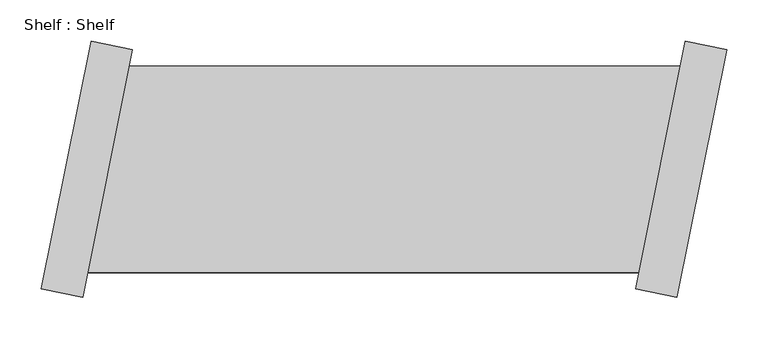
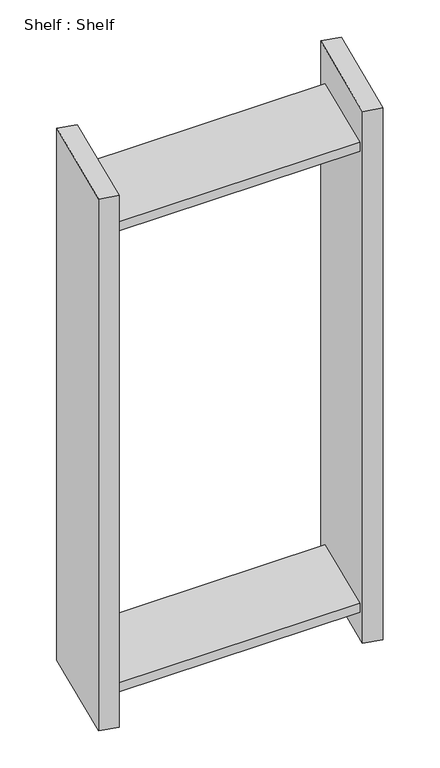
"""IFC4 building model written with IfcOpenShell, lengths in millimetres: proxy geometry, Shelf : Shelf."""

from ifc_helpers import new_model, si_unit, origin, place, context, project, spatial, faceted_brep, source, transform, mapped, element, save


def shelf_shelf_24f8b0ec(model_context):
    return source(origin(), model_context, "Body", "Brep", [
        faceted_brep([(-396.8179005, 124.5294006, 1422.4), (-396.8179005, 124.5294006, 1397.0), (-1061.1068525, 124.5294006, 1397.0), (-1061.1068525, 124.5294006, 1422.4), (-446.6748312, -124.5294006, 1397.0), (-1110.9637832, -124.5294006, 1397.0), (-446.6748312, -124.5294006, 1422.4), (-1110.9637832, -124.5294006, 1422.4), (-341.0224044, 144.4495877, 0.0), (-400.8507212, -154.4209738, 0.0), (-450.6624814, -144.4495877, 0.0), (-390.8341646, 154.4209738, 0.0), (-400.8507212, -154.4209738, 1524.0), (-450.6624814, -144.4495877, 1524.0), (-341.0224044, 144.4495877, 1524.0), (-390.8341646, 154.4209738, 1524.0), (-446.6748312, -124.5294006, 76.2), (-396.8179005, 124.5294006, 76.2), (-396.8179005, 124.5294006, 101.6), (-446.6748312, -124.5294006, 101.6), (-1110.9637832, -124.5294006, 76.2), (-1061.1068525, 124.5294006, 76.2), (-1110.9637832, -124.5294006, 101.6), (-1061.1068525, 124.5294006, 101.6), (-1166.7592794, -144.4495877, 0.0), (-1106.9309626, 154.4209738, 0.0), (-1057.1192023, 144.4495877, 0.0), (-1116.9475191, -154.4209738, 0.0), (-1116.9475191, -154.4209738, 1524.0), (-1166.7592794, -144.4495877, 1524.0), (-1057.1192023, 144.4495877, 1524.0), (-1106.9309626, 154.4209738, 1524.0)], [[[0, 1, 2, 3]], [[1, 4, 5, 2]], [[4, 6, 7, 5]], [[6, 0, 3, 7]], [[8, 9, 10, 11]], [[10, 9, 12, 13]], [[13, 12, 14, 15]], [[8, 11, 15, 14]], [[11, 10, 13, 15], [1, 0, 6, 4], [16, 17, 18, 19]], [[9, 8, 14, 12]], [[17, 16, 20, 21]], [[16, 19, 22, 20]], [[19, 18, 23, 22]], [[18, 17, 21, 23]], [[24, 25, 26, 27]], [[24, 27, 28, 29]], [[29, 28, 30, 31]], [[26, 25, 31, 30]], [[27, 26, 30, 28], [3, 2, 5, 7], [21, 20, 22, 23]], [[25, 24, 29, 31]]]),
    ])


if __name__ == "__main__":
    model = new_model("IFC4")
    model_context = context("Model", 3, world=origin())
    ifc_project = project(units=[si_unit("LENGTHUNIT", "METRE", prefix="MILLI")], contexts=[model_context])
    site = spatial("IfcSite", under=ifc_project)
    building = spatial("IfcBuilding", under=site)
    placement = place(None, origin())
    shelf_shelf_shape = shelf_shelf_24f8b0ec(model_context)
    element("IfcBuildingElementProxy", 1, Name="Shelf : Shelf", ObjectType="Shelf : Shelf", at=placement, inside=building, context=model_context, shape_type="MappedRepresentation", body=[
        mapped(shelf_shelf_shape, transform((0.0, 0.0, 0.0), x_axis=(1.0, 0.0, 0.0), y_axis=(0.0, 1.0, 0.0), z_axis=(0.0, 0.0, 1.0))),
    ])
    save(model, "model.ifc")
